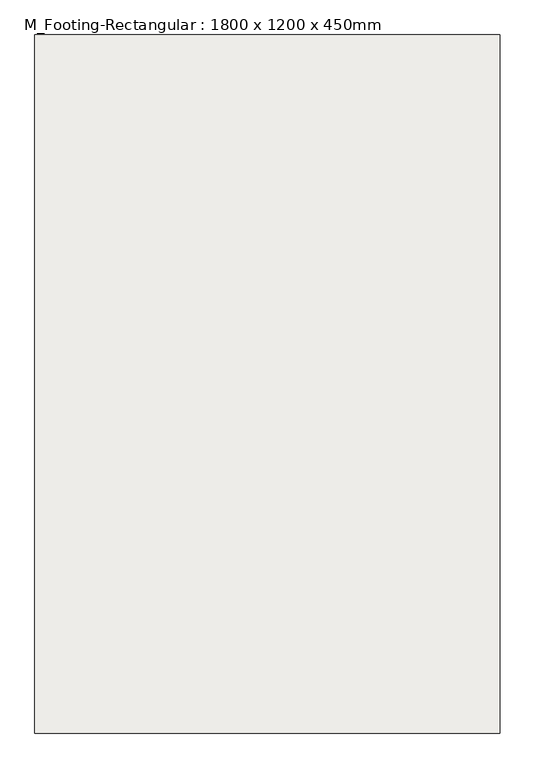
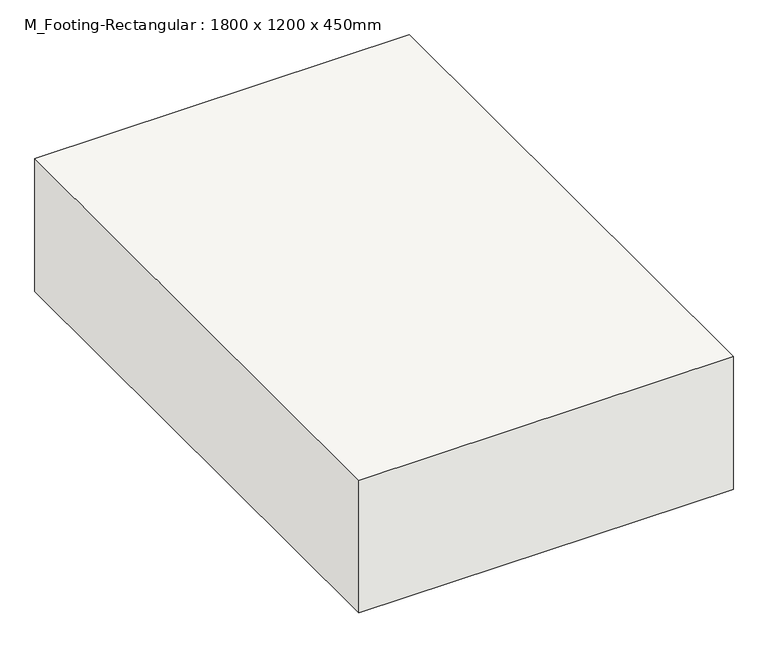
"""IFC4 building model written with IfcOpenShell, lengths in millimetres: slab geometry, M_Footing-Rectangular : 1800 x 1200 x 450mm."""

from ifc_helpers import new_model, si_unit, frame, origin, place, context, project, spatial, polyline, outline, extrude, source, transform, mapped, element, save


def m_footing_rectangular_1800_x_1200_x_450mm_16ba7ea5(model_context):
    return source(origin(), model_context, "Body", "SweptSolid", [
        extrude(outline(polyline([(600.0, 900.0), (600.0, -900.0), (-600.0, -900.0), (-600.0, 900.0), (600.0, 900.0)])), frame((0.0, 0.0, -450.0), z_axis=(0.0, 0.0, 1.0), x_axis=(1.0, 0.0, 0.0)), (0.0, 0.0, 1.0), 450.0),
    ])


if __name__ == "__main__":
    model = new_model("IFC4")
    model_context = context("Model", 3, world=origin())
    ifc_project = project(units=[si_unit("LENGTHUNIT", "METRE", prefix="MILLI")], contexts=[model_context])
    site = spatial("IfcSite", under=ifc_project)
    building = spatial("IfcBuilding", under=site)
    placement = place(None, origin())
    m_footing_rectangular_1800_x_1200_x_450mm_shape = m_footing_rectangular_1800_x_1200_x_450mm_16ba7ea5(model_context)
    element("IfcSlab", 1, ObjectType="M_Footing-Rectangular : 1800 x 1200 x 450mm", at=placement, inside=building, context=model_context, shape_type="MappedRepresentation", body=[
        mapped(m_footing_rectangular_1800_x_1200_x_450mm_shape, transform((0.0, 0.0, 0.0), x_axis=(1.0, 0.0, 0.0), y_axis=(0.0, 1.0, 0.0), z_axis=(0.0, 0.0, 1.0))),
    ])
    save(model, "model.ifc")
